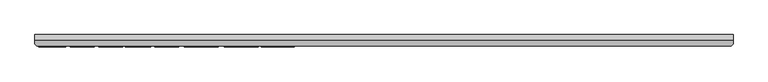
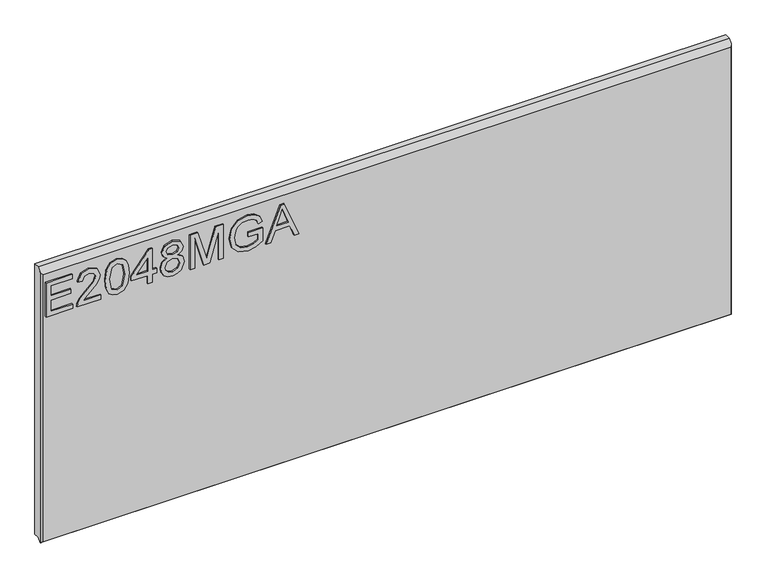
"""IFC4 building model written with IfcOpenShell, lengths in millimetres: furniture geometry."""

from ifc_helpers import new_model, si_unit, frame, origin, place, context, project, spatial, polyline, outline, extrude, faceted_brep, source, transform, mapped, element, save


def furniture_187a262f(model_context):
    return source(origin(), model_context, "Body", "SolidModel", [
        extrude(outline(polyline([(1523.7940484, -279.0852904), (1523.7940484, -232.2396877), (1531.767768, -232.2396877), (1531.767768, -271.1115708), (1552.698782, -271.1115708), (1552.698782, -235.2298325), (1560.6725017, -235.2298325), (1560.6725017, -271.1115708), (1579.6100857, -271.1115708), (1579.6100857, -233.2364026), (1587.5838054, -233.2364026), (1587.5838054, -279.0852904), (1523.7940484, -279.0852904)])), frame((0.0, -21.9273438, 0.0), z_axis=(0.0, 1.0, 0.0), x_axis=(0.0, 0.0, 1.0)), (0.0, 0.0, 1.0), 2.38125),
        extrude(outline(polyline([(1531.767768, -182.40394), (1531.767768, -213.7225927), (1535.8247094, -210.1250747), (1543.4947424, -200.9521824), (1554.4196727, -189.5288946), (1562.2376556, -184.8178591), (1569.7986729, -183.400655), (1582.4756412, -188.656769), (1587.5838054, -202.9300386), (1582.9895724, -217.1565872), (1569.6429362, -223.2692531), (1568.6462213, -215.2955335), (1576.6978092, -211.9394073), (1579.6100857, -203.101349), (1576.6277277, -194.621485), (1569.3158891, -191.3743746), (1560.2831599, -194.8161559), (1546.9988184, -208.5832812), (1537.7558446, -218.5660044), (1529.2915543, -223.4094161), (1523.7940484, -224.265968), (1523.7940484, -182.40394), (1531.767768, -182.40394)])), frame((0.0, -21.9273438, 0.0), z_axis=(0.0, 1.0, 0.0), x_axis=(0.0, 0.0, 1.0)), (0.0, 0.0, 1.0), 2.38125),
        extrude(outline(polyline([(1555.1749957, -174.4302204), (1539.6597259, -172.841706), (1528.8710652, -168.0761626), (1524.3157664, -161.7843995), (1522.7973335, -153.4992064), (1526.2936226, -141.8267399), (1536.8992927, -134.8886694), (1555.1749957, -132.5681924), (1570.1646542, -134.0165438), (1579.6022989, -137.7542249), (1585.5280808, -144.1861511), (1587.5838054, -153.4992064), (1584.1108767, -165.1249519), (1573.5285672, -172.0863829), (1555.1749957, -174.4302204)]), holes=[polyline([(1555.1905694, -166.4565008), (1575.3428999, -162.5942304), (1579.6100857, -153.5926485), (1574.766674, -144.1550038), (1555.1905694, -140.5419121), (1535.4042202, -144.2795931), (1530.7710531, -153.4992064), (1535.3886466, -162.7188197), (1555.1905694, -166.4565008)])]), frame((0.0, -21.9273438, 0.0), z_axis=(0.0, 1.0, 0.0), x_axis=(0.0, 0.0, 1.0)), (0.0, 0.0, 1.0), 2.38125),
        extrude(outline(polyline([(1523.7940484, -99.676599), (1523.7940484, -91.7028794), (1538.7447727, -91.7028794), (1538.7447727, -83.7291598), (1546.7184923, -83.7291598), (1546.7184923, -91.7028794), (1586.5870904, -91.7028794), (1586.5870904, -97.6831691), (1546.7184923, -128.5813326), (1538.7447727, -128.5813326), (1538.7447727, -99.676599), (1523.7940484, -99.676599)]), holes=[polyline([(1546.7184923, -99.676599), (1546.7184923, -118.7699198), (1571.35604, -99.676599), (1546.7184923, -99.676599)])]), frame((0.0, -21.9273438, 0.0), z_axis=(0.0, 1.0, 0.0), x_axis=(0.0, 0.0, 1.0)), (0.0, 0.0, 1.0), 2.38125),
        extrude(outline(polyline([(1558.9282505, -65.1341964), (1553.1348448, -73.7308629), (1542.5758958, -76.7521551), (1534.8182609, -75.3115905), (1528.4583629, -70.9898968), (1524.2125908, -64.3165787), (1522.7973335, -55.8211411), (1524.2067507, -47.3257035), (1528.4350024, -40.6523854), (1542.3578644, -34.8901271), (1552.6754215, -37.7946168), (1558.9282505, -46.2744807), (1563.8573174, -39.2118208), (1571.3716137, -36.883557), (1582.864983, -42.1163105), (1587.5838054, -55.9301568), (1582.9739987, -69.6194137), (1571.5896451, -74.7587252), (1563.8806779, -72.399314), (1558.9282505, -65.1341964)]), holes=[polyline([(1571.35604, -66.7850056), (1577.180593, -63.9116633), (1579.6100857, -55.8211411), (1577.1260852, -47.7539795), (1570.9978456, -44.8572766), (1565.0798506, -47.6605374), (1562.6659316, -55.7276991), (1565.0954243, -63.9583843), (1571.35604, -66.7850056)]), polyline([(1542.8562219, -68.7784355), (1551.3127253, -65.4067357), (1554.6922119, -56.0235988), (1551.2660043, -46.3679227), (1542.6070431, -42.8638467), (1534.1116055, -46.258907), (1530.7710531, -55.7588464), (1532.3595675, -62.7358511), (1536.8525717, -67.4468866), (1542.8562219, -68.7784355)])]), frame((0.0, -21.9273438, 0.0), z_axis=(0.0, 1.0, 0.0), x_axis=(0.0, 0.0, 1.0)), (0.0, 0.0, 1.0), 2.38125),
        extrude(outline(polyline([(1523.7940484, -24.9229776), (1523.7940484, -16.949258), (1579.6100857, -16.949258), (1523.7940484, -0.9239504), (1523.7940484, 9.8841774), (1579.6100857, 25.909485), (1523.7940484, 25.909485), (1523.7940484, 33.8832046), (1587.5838054, 33.8832046), (1587.5838054, 20.1628003), (1543.4013004, 7.3300953), (1533.2316931, 4.4801135), (1542.6226168, 1.8481631), (1587.5838054, -11.2025733), (1587.5838054, -24.9229776), (1523.7940484, -24.9229776)])), frame((0.0, -21.9273438, 0.0), z_axis=(0.0, 1.0, 0.0), x_axis=(0.0, 0.0, 1.0)), (0.0, 0.0, 1.0), 2.38125),
        extrude(outline(polyline([(1548.7119222, 77.7386625), (1548.7119222, 95.6795316), (1537.1874056, 95.6795316), (1532.8189908, 87.6045832), (1530.7710531, 76.6952265), (1533.4886587, 64.5399762), (1541.8049991, 55.8187204), (1555.7045006, 52.8207887), (1568.2257321, 55.3125761), (1574.3695454, 59.4162384), (1578.88591, 66.3620957), (1580.6068007, 76.5706372), (1579.0104994, 85.5332849), (1574.7588872, 91.7471797), (1567.3847539, 95.3836319), (1569.4560522, 102.7344047), (1580.0072144, 97.9143534), (1586.3145512, 89.1697371), (1588.5805203, 76.6952265), (1584.6715289, 59.9068091), (1572.7187363, 48.7327), (1555.3774535, 44.8470691), (1538.4177256, 48.7482737), (1526.8075538, 60.3039377), (1522.7973335, 77.333747), (1525.3202682, 90.8594804), (1532.8423513, 103.6532513), (1556.6856418, 103.6532513), (1556.6856418, 77.7386625), (1548.7119222, 77.7386625)])), frame((0.0, -21.9273438, 0.0), z_axis=(0.0, 1.0, 0.0), x_axis=(0.0, 0.0, 1.0)), (0.0, 0.0, 1.0), 2.38125),
        extrude(outline(polyline([(1523.7940484, 109.1819045), (1523.7940484, 117.6072606), (1543.7283475, 124.8957387), (1543.7283475, 151.1685219), (1523.7940484, 158.4725736), (1523.7940484, 166.8979297), (1587.5838054, 141.4349774), (1587.5838054, 134.6448568), (1523.7940484, 109.1819045)]), holes=[polyline([(1551.7020671, 127.8235888), (1568.755237, 134.068631), (1579.6100857, 138.0399171), (1567.3847539, 142.5095607), (1551.7020671, 148.2562454), (1551.7020671, 127.8235888)])]), frame((0.0, -21.9273438, 0.0), z_axis=(0.0, 1.0, 0.0), x_axis=(0.0, 0.0, 1.0)), (0.0, 0.0, 1.0), 2.38125),
        faceted_brep([(933.1377049, 0.0, 1612.6940484), (-286.0622951, 0.0, 1612.6940484), (-286.0622951, -9.7234375, 1612.6940484), (933.1377049, -9.7234375, 1612.6940484), (-286.0622951, 0.0, 1108.1222661), (933.1377049, 0.0, 1108.1222661), (933.1377049, -10.0210916, 1108.1222661), (-286.0622951, -10.0210916, 1108.1222661), (-286.0622951, -16.3710916, 1101.7722661), (-286.0622951, -16.3710938, 1606.0463922), (929.9627049, -19.5460937, 1602.8713922), (-282.8872951, -19.5460937, 1602.8713922), (-282.8872951, -19.5460937, 1104.9472661), (929.962707, -19.5460937, 1104.9472661), (933.1377049, -16.3710938, 1606.0463922), (933.1377049, -16.3710938, 1101.7722661)], [[[0, 1, 2, 3]], [[4, 5, 6, 7]], [[1, 4, 7, 8, 9, 2]], [[10, 11, 12, 13]], [[5, 0, 3, 14, 15, 6]], [[1, 0, 5, 4]], [[3, 2, 9, 11, 10, 14]], [[6, 15, 8, 7]], [[8, 15, 13, 12]], [[9, 8, 12, 11]], [[10, 13, 15, 14]]]),
    ])


if __name__ == "__main__":
    model = new_model("IFC4")
    model_context = context("Model", 3, world=origin())
    ifc_project = project(units=[si_unit("LENGTHUNIT", "METRE", prefix="MILLI")], contexts=[model_context])
    site = spatial("IfcSite", under=ifc_project)
    building = spatial("IfcBuilding", under=site)
    placement = place(None, origin())
    furniture_shape = furniture_187a262f(model_context)
    element("IfcFurniture", 1, at=placement, inside=building, context=model_context, shape_type="MappedRepresentation", body=[
        mapped(furniture_shape, transform((0.0, 0.0, 0.0), x_axis=(1.0, 0.0, 0.0), y_axis=(0.0, 1.0, 0.0), z_axis=(0.0, 0.0, 1.0))),
    ])
    save(model, "model.ifc")
